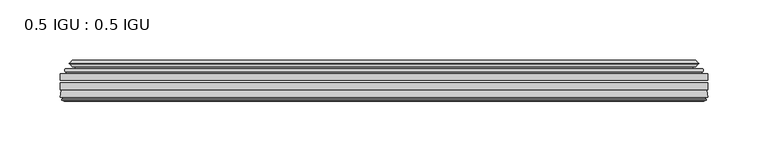
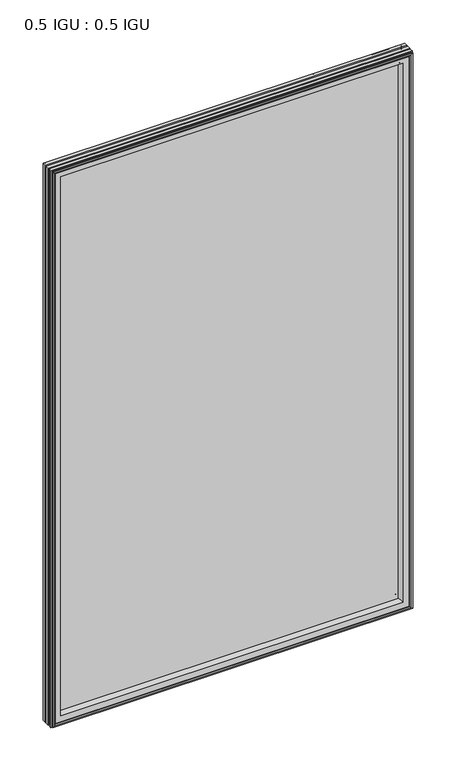
"""IFC4 building model written with IfcOpenShell, lengths in millimetres: plate geometry, 0.5 IGU : 0.5 IGU."""

import ifcopenshell
import ifcopenshell.guid

model = None  # the IFC model being written
_history = None  # IfcOwnerHistory: only IFC2X3 demands one
_inside = {}  # id of a spatial element -> (the spatial element, [elements in it])
_under = {}  # id of a project, library or spatial element -> (it, [spatial elements below it])
_declared = {}  # id of a project -> (the project, [libraries it declares])
_typed = {}  # id of a type object -> (the type object, [elements of that type])
_made_of = {}  # id of a material, layer set ... -> (it, [elements and type objects made of it])


def new_model(schema):
    """Start an empty IFC model of exactly this schema.

    Asked for "IFC4X3", IfcOpenShell would pick the latest addendum, in which some entities
    have other attributes; the version numbers below select the first issue.
    IFC2X3 requires an IfcOwnerHistory on every rooted entity: one is made here for all.
    """
    global model, _history
    if schema == "IFC4X3":
        model = ifcopenshell.file(schema_version=(4, 3, 0, 0))
    else:
        model = ifcopenshell.file(schema=schema)
    _inside.clear()
    _under.clear()
    _declared.clear()
    _typed.clear()
    _made_of.clear()
    _history = None
    if model.schema == "IFC2X3":
        org = make("IfcOrganization", Name="unknown")
        user = make(
            "IfcPersonAndOrganization",
            ThePerson=make("IfcPerson", FamilyName="unknown"),
            TheOrganization=org,
        )
        app = make(
            "IfcApplication",
            ApplicationDeveloper=org,
            Version="unknown",
            ApplicationFullName="unknown",
            ApplicationIdentifier="unknown",
        )
        _history = make(
            "IfcOwnerHistory",
            OwningUser=user,
            OwningApplication=app,
            ChangeAction="ADDED",
            CreationDate=0,
        )
    return model


def make(cls, **values):
    """One entity of the class cls with the attributes given. An attribute that is None is left unset."""
    return model.create_entity(
        cls, **{name: value for name, value in values.items() if value is not None}
    )


def rooted(cls, **values):
    """An entity with a GlobalId (a new one), such as an element, a storey or a relation."""
    return make(cls, GlobalId=ifcopenshell.guid.new(), OwnerHistory=_history, **values)


def si_unit(unit_type, name, prefix=None):
    """IfcSIUnit, for example si_unit("LENGTHUNIT", "METRE", prefix="MILLI")."""
    return make("IfcSIUnit", UnitType=unit_type, Prefix=prefix, Name=name)


def assignment(units):
    """IfcUnitAssignment: the units of a project."""
    return None if units is None else make("IfcUnitAssignment", Units=units)


def point(xyz):
    """IfcCartesianPoint."""
    return None if xyz is None else make("IfcCartesianPoint", Coordinates=xyz)


def direction(xyz):
    """IfcDirection."""
    return None if xyz is None else make("IfcDirection", DirectionRatios=xyz)


def frame(location, z_axis=None, x_axis=None):
    """IfcAxis2Placement3D, a coordinate frame: its origin and axes. An axis left out is left unset."""
    return make(
        "IfcAxis2Placement3D",
        Location=point(location),
        Axis=direction(z_axis),
        RefDirection=direction(x_axis),
    )


def origin():
    """The frame at (0, 0, 0) with its axes left unset."""
    return frame((0.0, 0.0, 0.0))


def place(relative_to, where):
    """IfcLocalPlacement: puts the frame where relative to a parent placement (None: the world)."""
    return make(
        "IfcLocalPlacement", PlacementRelTo=relative_to, RelativePlacement=where
    )


def context(
    kind, dimensions, precision=None, world=None, true_north=None, identifier=None
):
    """IfcGeometricRepresentationContext, for example the 3D "Model" context."""
    return make(
        "IfcGeometricRepresentationContext",
        ContextIdentifier=identifier,
        ContextType=kind,
        CoordinateSpaceDimension=dimensions,
        Precision=precision,
        WorldCoordinateSystem=world,
        TrueNorth=true_north,
    )


def project(units=None, contexts=None):
    """IfcProject with its units and contexts."""
    return rooted(
        "IfcProject",
        Name="project",
        RepresentationContexts=contexts,
        UnitsInContext=assignment(units),
    )


def spatial(cls, under=None, at=None, **own):
    """A site, building, storey or space (cls), placed at a placement, below another one or the project."""
    s = rooted(cls, ObjectPlacement=at, **own)
    if under is not None:
        _under.setdefault(under.id(), (under, []))[1].append(s)
    return s


def polyline(points):
    """IfcPolyline through the points."""
    return make("IfcPolyline", Points=[point(p) for p in points])


def ellipse_curve(where, semi_axis1, semi_axis2):
    """IfcEllipse in the frame where."""
    return make(
        "IfcEllipse", Position=where, SemiAxis1=semi_axis1, SemiAxis2=semi_axis2
    )


def outline(outer, holes=None, kind="AREA"):
    """IfcArbitraryClosedProfileDef: a profile drawn as a closed curve; with holes, ...WithVoids."""
    if holes is None:
        return make("IfcArbitraryClosedProfileDef", ProfileType=kind, OuterCurve=outer)
    return make(
        "IfcArbitraryProfileDefWithVoids",
        ProfileType=kind,
        OuterCurve=outer,
        InnerCurves=holes,
    )


def extrude(swept, where, along, depth):
    """IfcExtrudedAreaSolid: the profile swept, set in the frame where, extruded along a direction by depth."""
    return make(
        "IfcExtrudedAreaSolid",
        SweptArea=swept,
        Position=where,
        ExtrudedDirection=direction(along),
        Depth=depth,
    )


def shape(context_of_items, identifier, shape_type, items):
    """IfcShapeRepresentation: the items that make up one representation, for example the "Body"."""
    return make(
        "IfcShapeRepresentation",
        ContextOfItems=context_of_items,
        RepresentationIdentifier=identifier,
        RepresentationType=shape_type,
        Items=items,
    )


def source(mapping_origin, context_of_items, identifier, shape_type, items):
    """IfcRepresentationMap: a shape defined once, which mapped items show again and again."""
    return make(
        "IfcRepresentationMap",
        MappingOrigin=mapping_origin,
        MappedRepresentation=shape(context_of_items, identifier, shape_type, items),
    )


def transform(
    local_origin,
    x_axis=None,
    y_axis=None,
    z_axis=None,
    scale=None,
    scale2=None,
    scale3=None,
    uniform=True,
):
    """IfcCartesianTransformationOperator3D, or its non-uniform kind. x_axis, y_axis, z_axis: its Axis1, 2, 3."""
    if uniform:
        return make(
            "IfcCartesianTransformationOperator3D",
            Axis1=direction(x_axis),
            Axis2=direction(y_axis),
            LocalOrigin=point(local_origin),
            Scale=scale,
            Axis3=direction(z_axis),
        )
    return make(
        "IfcCartesianTransformationOperator3DnonUniform",
        Axis1=direction(x_axis),
        Axis2=direction(y_axis),
        LocalOrigin=point(local_origin),
        Scale=scale,
        Axis3=direction(z_axis),
        Scale2=scale2,
        Scale3=scale3,
    )


def mapped(mapping_source, mapping_target):
    """IfcMappedItem: shows the shape of a source again, moved by a transform."""
    return make(
        "IfcMappedItem", MappingSource=mapping_source, MappingTarget=mapping_target
    )


def made_of(thing, what):
    """Note that an element or type object is made of a material, layer set ...; save() writes the relation."""
    if what is not None:
        _made_of.setdefault(what.id(), (what, []))[1].append(thing)
    return thing


def element(
    cls,
    number,
    at=None,
    inside=None,
    cuts=None,
    type_object=None,
    material=None,
    context=None,
    identifier="Body",
    shape_type=None,
    held_by="IfcProductDefinitionShape",
    body=None,
    shapes=None,
    **own,
):
    """One element of the class cls, such as IfcWall. Its Tag is "e" and its number.

    at: its placement. inside: the storey or other place that contains it. cuts: it is an
    opening in that element (IfcRelVoidsElement). A single representation is given by context,
    identifier, shape_type and body (its items); several are given by shapes. held_by: the class
    of the entity that holds the representations. save() writes the other relations.
    """
    e = rooted(cls, Tag="e%d" % number, ObjectPlacement=at, **own)
    if body is not None:
        shapes = [shape(context, identifier, shape_type, body)]
    if shapes is not None:
        e.Representation = make(held_by, Representations=shapes)
    if inside is not None:
        _inside.setdefault(inside.id(), (inside, []))[1].append(e)
    if cuts is not None:
        rooted(
            "IfcRelVoidsElement", RelatingBuildingElement=cuts, RelatedOpeningElement=e
        )
    if type_object is not None:
        _typed.setdefault(type_object.id(), (type_object, []))[1].append(e)
    return made_of(e, material)


def aggregate(whole, parts):
    """IfcRelAggregates: a whole, such as a stair, and the parts it consists of."""
    return rooted("IfcRelAggregates", RelatingObject=whole, RelatedObjects=parts)


def save(model, path):
    """Write the relations noted so far, then the file.

    IfcRelAggregates (storeys below a building ...), IfcRelContainedInSpatialStructure (elements
    in a storey), IfcRelDefinesByType, IfcRelAssociatesMaterial and IfcRelDeclares: one each for
    every whole, place, type object, material and project.
    """
    for whole, parts in _under.values():
        aggregate(whole, parts)
    for where, things in _inside.values():
        rooted(
            "IfcRelContainedInSpatialStructure",
            RelatedElements=things,
            RelatingStructure=where,
        )
    for kind, things in _typed.values():
        rooted("IfcRelDefinesByType", RelatedObjects=things, RelatingType=kind)
    for what, things in _made_of.values():
        rooted("IfcRelAssociatesMaterial", RelatedObjects=things, RelatingMaterial=what)
    for by, libraries in _declared.values():
        rooted("IfcRelDeclares", RelatingContext=by, RelatedDefinitions=libraries)
    model.write(path)


def plane_surface(at):
    """IfcPlane: the flat surface through the origin of the frame at, square to its z axis."""
    return make("IfcPlane", Position=at)


def cylinder_surface(at, radius):
    """IfcCylindricalSurface: all points at the distance radius from the z axis of the frame at."""
    return make("IfcCylindricalSurface", Position=at, Radius=radius)


def revolved_surface(curve, axis_point, axis_direction):
    """IfcSurfaceOfRevolution: the curve turned about the line through axis_point along axis_direction."""
    return make(
        "IfcSurfaceOfRevolution",
        SweptCurve=make("IfcArbitraryOpenProfileDef", ProfileType="CURVE", Curve=curve),
        AxisPosition=make("IfcAxis1Placement", Location=point(axis_point), Axis=direction(axis_direction)),
    )


def advanced_brep(points, edges, surfaces, faces):
    """IfcAdvancedBrep: a solid bounded by faces that lie on surfaces and meet in shared edges.

    An edge is (start, end): straight between two places in points (the first is 0);
    or (start, end, curve); or (start, end, curve, False) where it runs against its curve.
    A face is (place in surfaces, loops), or (place, loops, False) where it looks against
    its surface's normal. A loop lists edges by number (the first is 1), with a minus sign
    where the edge is run from its end to its start. The first loop is the outer one.
    """
    corners = [point(p) for p in points]
    vertices = [make("IfcVertexPoint", VertexGeometry=c) for c in corners]
    made = []
    for start, end, *more in edges:
        made.append(
            make(
                "IfcEdgeCurve",
                EdgeStart=vertices[start],
                EdgeEnd=vertices[end],
                EdgeGeometry=more[0] if more else make("IfcPolyline", Points=[corners[start], corners[end]]),
                SameSense=more[1] if len(more) > 1 else True,
            )
        )
    hull = []
    for where, loops, *sense in faces:
        bounds = []
        for j, loop in enumerate(loops):
            ring = [make("IfcOrientedEdge", EdgeElement=made[abs(k) - 1], Orientation=k > 0) for k in loop]
            bounds.append(
                make(
                    "IfcFaceOuterBound" if j == 0 else "IfcFaceBound",
                    Bound=make("IfcEdgeLoop", EdgeList=ring),
                    Orientation=True,
                )
            )
        hull.append(make("IfcAdvancedFace", Bounds=bounds, FaceSurface=surfaces[where], SameSense=sense[0] if sense else True))
    return make("IfcAdvancedBrep", Outer=make("IfcClosedShell", CfsFaces=hull))


def plate_0_5_igu_0_5_igu_1e9d5533(model_context):
    return source(origin(), model_context, "Body", "SolidModel", [
        extrude(outline(polyline([(268.301675, -55.82285), (268.301675, -61.48705), (-268.2875, -61.48705), (-268.2875, -55.82285), (268.301675, -55.82285)])), frame((0.0, 0.0, -14.2875), z_axis=(0.0, 0.0, 1.0), x_axis=(1.0, 0.0, 0.0)), (0.0, 0.0, 1.0), 873.1287979),
        extrude(outline(polyline([(-268.2875, -69.05625), (-268.2875, -63.39205), (268.301675, -63.39205), (268.301675, -69.05625), (-268.2875, -69.05625)])), frame((0.0, 0.0, -14.2875), z_axis=(0.0, 0.0, 1.0), x_axis=(1.0, 0.0, 0.0)), (0.0, 0.0, 1.0), 873.1287979),
        advanced_brep(
        [(-264.1849626, -54.3724927, 854.7349626), (-263.1404378, -51.60645, 853.6904378), (-263.1404378, -51.60645, -9.1404378), (-264.1849626, -54.3724927, -10.1849626), (-262.548517, -55.82285, 853.098517), (-262.548517, -55.82285, -8.548517), (-254.0, -45.63745, 844.55), (-250.4172761, -55.82285, 840.9672761), (-250.4172761, -55.82285, 3.5827239), (-254.0, -45.63745, 0.0), (-259.1859109, -46.8185491, 849.7359109), (-259.1859109, -46.8185491, -5.1859109), (-258.3888893, -44.8183085, 848.9388893), (-258.3888893, -44.8183085, -4.3888893), (-260.6726111, -47.135817, 851.2226111), (-260.6726111, -47.135817, -6.6726111), (-260.6726111, -47.8489429, 851.2226111), (-260.6726111, -47.8489429, -6.6726111), (-258.3888893, -50.1664515, 848.9388893), (-258.3888893, -50.1664515, -4.3888893), (-259.1782501, -48.1854367, 849.7282501), (-259.1782501, -48.1854367, -5.1782501), (-256.6544379, -48.027045, 847.2044379), (-256.6544379, -48.027045, -2.6544379), (-255.6286217, -48.7147544, 846.1786217), (-255.6286217, -48.7147544, -1.6286217), (-255.7470288, -50.1092231, 846.2970288), (-255.7470288, -50.1092231, -1.7470288), (-256.3487748, -51.60645, 846.8987748), (-256.3487748, -51.60645, -2.3487748), (263.1404378, -51.60645, -9.1404378), (264.1849626, -54.3724927, -10.1849626), (262.548517, -55.82285, -8.548517), (250.4172761, -55.82285, 3.5827239), (254.0, -45.63745, 0.0), (259.1859109, -46.8185491, -5.1859109), (258.3888893, -44.8183085, -4.3888893), (260.6726111, -47.135817, -6.6726111), (260.6726111, -47.8489429, -6.6726111), (258.3888893, -50.1664515, -4.3888893), (259.1782501, -48.1854367, -5.1782501), (256.6544379, -48.027045, -2.6544379), (255.6286217, -48.7147544, -1.6286217), (255.7470288, -50.1092231, -1.7470288), (256.3487748, -51.60645, -2.3487748), (263.1404378, -51.60645, 853.6904378), (264.1849626, -54.3724927, 854.7349626), (262.548517, -55.82285, 853.098517), (250.4172761, -55.82285, 840.9672761), (254.0, -45.63745, 844.55), (259.1859109, -46.8185491, 849.7359109), (258.3888893, -44.8183085, 848.9388893), (260.6726111, -47.135817, 851.2226111), (260.6726111, -47.8489429, 851.2226111), (258.3888893, -50.1664515, 848.9388893), (259.1782501, -48.1854367, 849.7282501), (256.6544379, -48.027045, 847.2044379), (255.6286217, -48.7147544, 846.1786217), (255.7470288, -50.1092231, 846.2970288), (256.3487748, -51.60645, 846.8987748)],
        [
            (0, 1, ellipse_curve(frame((-263.1320703, -53.1898501, 853.6820703), z_axis=(-0.7071067811865475, 0.0, -0.7071067811865475), x_axis=(-0.7071067811865474, 0.0, 0.7071067811865476)), 2.2392971, 1.5834222)),
            (1, 2),
            (2, 3, ellipse_curve(frame((-263.1320703, -53.1898501, -9.1320703), z_axis=(-0.7071067811865475, 0.0, 0.7071067811865475), x_axis=(0.7071067811865474, 0.0, 0.7071067811865476)), 2.2392971, 1.5834222)),
            (3, 0),
            (4, 0),
            (3, 5),
            (5, 4),
            (6, 7, ellipse_curve(frame((-221.720246, -40.0058297, 812.270246), z_axis=(0.7071067811865475, 0.0, 0.7071067811865475), x_axis=(0.7071067811865474, 0.0, -0.7071067811865476)), 46.3399971, 32.7673262)),
            (7, 8),
            (8, 9, ellipse_curve(frame((-221.720246, -40.0058297, 32.279754), z_axis=(0.7071067811865475, 0.0, -0.7071067811865475), x_axis=(-0.7071067811865474, 0.0, -0.7071067811865476)), 46.3399971, 32.7673262)),
            (9, 6),
            (10, 6),
            (9, 11),
            (11, 10),
            (12, 10),
            (11, 13),
            (13, 12),
            (14, 12),
            (13, 15),
            (15, 14),
            (16, 14, ellipse_curve(frame((-260.3107729, -47.49238, 850.8607729), z_axis=(-0.7071067811865475, 0.0, -0.7071067811865475), x_axis=(-0.7071067811865474, 0.0, 0.7071067811865476)), 0.7184205, 0.508)),
            (15, 17, ellipse_curve(frame((-260.3107729, -47.49238, -6.3107729), z_axis=(-0.7071067811865475, 0.0, 0.7071067811865475), x_axis=(0.7071067811865474, 0.0, 0.7071067811865476)), 0.7184205, 0.508)),
            (17, 16),
            (18, 16),
            (17, 19),
            (19, 18),
            (20, 18),
            (19, 21),
            (21, 20),
            (22, 20),
            (21, 23),
            (23, 22),
            (24, 22, ellipse_curve(frame((-256.5908, -49.04105, 847.1408), z_axis=(0.7071067811865475, 0.0, 0.7071067811865475), x_axis=(0.7071067811865474, 0.0, -0.7071067811865476)), 1.436841, 1.016)),
            (23, 25, ellipse_curve(frame((-256.5908, -49.04105, -2.5908), z_axis=(0.7071067811865475, 0.0, -0.7071067811865475), x_axis=(-0.7071067811865474, 0.0, -0.7071067811865476)), 1.436841, 1.016)),
            (25, 24),
            (26, 24, ellipse_curve(frame((-257.9624, -49.21885, 848.5124), z_axis=(0.7071067811865475, 0.0, 0.7071067811865475), x_axis=(0.7071067811865474, 0.0, -0.7071067811865476)), 3.3765763, 2.3876)),
            (25, 27, ellipse_curve(frame((-257.9624, -49.21885, -3.9624), z_axis=(0.7071067811865475, 0.0, -0.7071067811865475), x_axis=(-0.7071067811865474, 0.0, -0.7071067811865476)), 3.3765763, 2.3876)),
            (27, 26),
            (28, 26),
            (27, 29),
            (29, 28),
            (2, 30),
            (30, 31, ellipse_curve(frame((263.1320703, -53.1898501, -9.1320703), z_axis=(-0.7071067811865475, 0.0, -0.7071067811865475), x_axis=(-0.7071067811865476, 0.0, 0.7071067811865474)), 2.2392971, 1.5834222)),
            (31, 3),
            (31, 32),
            (32, 5),
            (8, 33),
            (33, 34, ellipse_curve(frame((221.720246, -40.0058297, 32.279754), z_axis=(0.7071067811865475, 0.0, 0.7071067811865475), x_axis=(0.7071067811865476, 0.0, -0.7071067811865474)), 46.3399971, 32.7673262)),
            (34, 9),
            (34, 35),
            (35, 11),
            (35, 36),
            (36, 13),
            (36, 37),
            (37, 15),
            (37, 38, ellipse_curve(frame((260.3107729, -47.49238, -6.3107729), z_axis=(-0.7071067811865475, 0.0, -0.7071067811865475), x_axis=(-0.7071067811865476, 0.0, 0.7071067811865474)), 0.7184205, 0.508)),
            (38, 17),
            (38, 39),
            (39, 19),
            (39, 40),
            (40, 21),
            (40, 41),
            (41, 23),
            (41, 42, ellipse_curve(frame((256.5908, -49.04105, -2.5908), z_axis=(0.7071067811865475, 0.0, 0.7071067811865475), x_axis=(0.7071067811865476, 0.0, -0.7071067811865474)), 1.436841, 1.016)),
            (42, 25),
            (42, 43, ellipse_curve(frame((257.9624, -49.21885, -3.9624), z_axis=(0.7071067811865475, 0.0, 0.7071067811865475), x_axis=(0.7071067811865476, 0.0, -0.7071067811865474)), 3.3765763, 2.3876)),
            (43, 27),
            (43, 44),
            (44, 29),
            (30, 45),
            (45, 46, ellipse_curve(frame((263.1320703, -53.1898501, 853.6820703), z_axis=(0.7071067811865475, 0.0, -0.7071067811865475), x_axis=(-0.7071067811865474, 0.0, -0.7071067811865476)), 2.2392971, 1.5834222)),
            (46, 31),
            (46, 47),
            (47, 32),
            (33, 48),
            (48, 49, ellipse_curve(frame((221.720246, -40.0058297, 812.270246), z_axis=(-0.7071067811865475, 0.0, 0.7071067811865475), x_axis=(0.7071067811865474, 0.0, 0.7071067811865476)), 46.3399971, 32.7673262)),
            (49, 34),
            (49, 50),
            (50, 35),
            (50, 51),
            (51, 36),
            (51, 52),
            (52, 37),
            (52, 53, ellipse_curve(frame((260.3107729, -47.49238, 850.8607729), z_axis=(0.7071067811865475, 0.0, -0.7071067811865475), x_axis=(-0.7071067811865474, 0.0, -0.7071067811865476)), 0.7184205, 0.508)),
            (53, 38),
            (53, 54),
            (54, 39),
            (54, 55),
            (55, 40),
            (55, 56),
            (56, 41),
            (56, 57, ellipse_curve(frame((256.5908, -49.04105, 847.1408), z_axis=(-0.7071067811865475, 0.0, 0.7071067811865475), x_axis=(0.7071067811865474, 0.0, 0.7071067811865476)), 1.436841, 1.016)),
            (57, 42),
            (57, 58, ellipse_curve(frame((257.9624, -49.21885, 848.5124), z_axis=(-0.7071067811865475, 0.0, 0.7071067811865475), x_axis=(0.7071067811865474, 0.0, 0.7071067811865476)), 3.3765763, 2.3876)),
            (58, 43),
            (58, 59),
            (59, 44),
            (45, 1),
            (0, 46),
            (4, 47),
            (7, 48),
            (6, 49),
            (10, 50),
            (12, 51),
            (14, 52),
            (16, 53),
            (18, 54),
            (20, 55),
            (22, 56),
            (24, 57),
            (26, 58),
            (28, 59),
        ],
        [
            cylinder_surface(frame((-263.1320703, -53.1898501, 876.3), z_axis=(0.0, 0.0, 1.0), x_axis=(-1.0, 0.0, 0.0)), 1.5834222),
            plane_surface(frame((-264.1849626, -54.3724927, 854.7349626), z_axis=(-0.6632745773184306, -0.7483761320907135, 0.0), x_axis=(0.0, 0.0, -1.0))),
            revolved_surface(polyline([(-254.4875722, -40.0058297, -0.48757218957496207), (-254.4875722, -40.0058297, 845.037572189575)]), (-221.720246, -40.0058297, 876.3), (0.0, 0.0, -1.0)),
            plane_surface(frame((-254.0, -45.63745, 844.55), z_axis=(-0.2220649844278743, 0.975031867525902, 0.0), x_axis=(0.0, 0.0, -1.0))),
            plane_surface(frame((-259.1859109, -46.8185491, 849.7359109), z_axis=(0.9289682685630282, -0.370159365683228, 0.0), x_axis=(0.0, 0.0, -1.0))),
            plane_surface(frame((-258.3888893, -44.8183085, 848.9388893), z_axis=(-0.7122798501733507, 0.7018955869907071, 0.0), x_axis=(0.0, 0.0, -1.0))),
            cylinder_surface(frame((-260.3107729, -47.49238, 876.3), z_axis=(0.0, 0.0, 1.0), x_axis=(-1.0, 0.0, 0.0)), 0.508),
            plane_surface(frame((-260.6726111, -47.8489429, 851.2226111), z_axis=(-0.7122798501732925, -0.701895586990766, 0.0), x_axis=(0.0, 0.0, -1.0))),
            plane_surface(frame((-258.3888893, -50.1664515, 848.9388893), z_axis=(0.9289682685628707, 0.3701593656836228, 0.0), x_axis=(0.0, 0.0, -1.0))),
            plane_surface(frame((-259.1782501, -48.1854367, 849.7282501), z_axis=(0.0626357011928498, -0.9980364567169279, 0.0), x_axis=(0.0, 0.0, -1.0))),
            revolved_surface(polyline([(-257.6068, -49.04105, -3.606800014586838), (-257.6068, -49.04105, 848.1568000145869)]), (-256.5908, -49.04105, 876.3), (0.0, 0.0, -1.0)),
            revolved_surface(polyline([(-260.35, -49.21885, -6.3499999989237494), (-260.35, -49.21885, 850.8999999989237)]), (-257.9624, -49.21885, 876.3), (0.0, 0.0, -1.0)),
            plane_surface(frame((-255.7470288, -50.1092231, 846.2970288), z_axis=(-0.9278652925428184, 0.3729155385532094, 0.0), x_axis=(0.0, 0.0, -1.0))),
            cylinder_surface(frame((-285.75, -53.1898501, -9.1320703), z_axis=(-1.0, 0.0, 0.0), x_axis=(0.0, 0.0, -1.0)), 1.5834222),
            plane_surface(frame((-264.1849626, -54.3724927, -10.1849626), z_axis=(0.0, -0.7483761320907157, -0.6632745773184283), x_axis=(1.0, 0.0, 0.0))),
            revolved_surface(polyline([(254.48757218957496, -40.0058297, -0.48757220000000245), (-254.48757218957493, -40.0058297, -0.48757220000000245)]), (-285.75, -40.0058297, 32.279754), (1.0, 0.0, 0.0)),
            plane_surface(frame((-254.0, -45.63745, 0.0), z_axis=(0.0, 0.9750318675259013, -0.22206498442787745), x_axis=(1.0, 0.0, 0.0))),
            plane_surface(frame((-259.1859109, -46.8185491, -5.1859109), z_axis=(0.0, -0.370159365683225, 0.9289682685630294), x_axis=(1.0, 0.0, 0.0))),
            plane_surface(frame((-258.3888893, -44.8183085, -4.3888893), z_axis=(0.0, 0.7018955869907048, -0.7122798501733529), x_axis=(1.0, 0.0, 0.0))),
            cylinder_surface(frame((-285.75, -47.49238, -6.3107729), z_axis=(-1.0, 0.0, 0.0), x_axis=(0.0, 0.0, -1.0)), 0.508),
            plane_surface(frame((-260.6726111, -47.8489429, -6.6726111), z_axis=(0.0, -0.7018955869907684, -0.7122798501732903), x_axis=(1.0, 0.0, 0.0))),
            plane_surface(frame((-258.3888893, -50.1664515, -4.3888893), z_axis=(0.0, 0.37015936568362584, 0.9289682685628696), x_axis=(1.0, 0.0, 0.0))),
            plane_surface(frame((-259.1782501, -48.1854367, -5.1782501), z_axis=(0.0, -0.9980364567169276, 0.06263570119285301), x_axis=(1.0, 0.0, 0.0))),
            revolved_surface(polyline([(257.60680001458684, -49.04105, -3.6068000000000002), (-257.60680001458684, -49.04105, -3.6068000000000002)]), (-285.75, -49.04105, -2.5908), (1.0, 0.0, 0.0)),
            revolved_surface(polyline([(260.34999999892375, -49.21885, -6.35), (-260.3499999989238, -49.21885, -6.35)]), (-285.75, -49.21885, -3.9624), (1.0, 0.0, 0.0)),
            plane_surface(frame((-255.7470288, -50.1092231, -1.7470288), z_axis=(0.0, 0.3729155385532064, -0.9278652925428196), x_axis=(1.0, 0.0, 0.0))),
            cylinder_surface(frame((263.1320703, -53.1898501, -31.75), z_axis=(0.0, 0.0, -1.0), x_axis=(1.0, 0.0, 0.0)), 1.5834222),
            plane_surface(frame((264.1849626, -54.3724927, -10.1849626), z_axis=(0.6632745773184259, -0.7483761320907178, 0.0), x_axis=(0.0, 0.0, 1.0))),
            revolved_surface(polyline([(254.4875722, -40.0058297, 845.037572189575), (254.4875722, -40.0058297, -0.48757218957494075)]), (221.720246, -40.0058297, -31.75), (0.0, 0.0, 1.0)),
            plane_surface(frame((254.0, -45.63745, 0.0), z_axis=(0.22206498442788056, 0.9750318675259005, 0.0), x_axis=(0.0, 0.0, 1.0))),
            plane_surface(frame((259.1859109, -46.8185491, -5.1859109), z_axis=(-0.9289682685630306, -0.370159365683222, 0.0), x_axis=(0.0, 0.0, 1.0))),
            plane_surface(frame((258.3888893, -44.8183085, -4.3888893), z_axis=(0.7122798501733552, 0.7018955869907024, 0.0), x_axis=(0.0, 0.0, 1.0))),
            cylinder_surface(frame((260.3107729, -47.49238, -31.75), z_axis=(0.0, 0.0, -1.0), x_axis=(1.0, 0.0, 0.0)), 0.508),
            plane_surface(frame((260.6726111, -47.8489429, -6.6726111), z_axis=(0.712279850173288, -0.7018955869907706, 0.0), x_axis=(0.0, 0.0, 1.0))),
            plane_surface(frame((258.3888893, -50.1664515, -4.3888893), z_axis=(-0.9289682685628684, 0.37015936568362884, 0.0), x_axis=(0.0, 0.0, 1.0))),
            plane_surface(frame((259.1782501, -48.1854367, -5.1782501), z_axis=(-0.06263570119285623, -0.9980364567169274, 0.0), x_axis=(0.0, 0.0, 1.0))),
            revolved_surface(polyline([(257.6068, -49.04105, 848.1568000145869), (257.6068, -49.04105, -3.606800014586863)]), (256.5908, -49.04105, -31.75), (0.0, 0.0, 1.0)),
            revolved_surface(polyline([(260.35, -49.21885, 850.8999999989237), (260.35, -49.21885, -6.349999998923781)]), (257.9624, -49.21885, -31.75), (0.0, 0.0, 1.0)),
            plane_surface(frame((255.7470288, -50.1092231, -1.7470288), z_axis=(0.9278652925428208, 0.3729155385532034, 0.0), x_axis=(0.0, 0.0, 1.0))),
            cylinder_surface(frame((285.75, -53.1898501, 853.6820703), z_axis=(1.0, 0.0, 0.0), x_axis=(0.0, 0.0, 1.0)), 1.5834222),
            plane_surface(frame((264.1849626, -54.3724927, 854.7349626), z_axis=(0.0, -0.7483761320907157, 0.6632745773184283), x_axis=(-1.0, 0.0, 0.0))),
            plane_surface(frame((262.548517, -55.82285, 853.098517), z_axis=(0.0, -1.0, 0.0), x_axis=(-1.0, 0.0, 0.0))),
            revolved_surface(polyline([(-254.48757218957496, -40.0058297, 845.0375722), (254.48757218957493, -40.0058297, 845.0375722)]), (285.75, -40.0058297, 812.270246), (-1.0, 0.0, 0.0)),
            plane_surface(frame((254.0, -45.63745, 844.55), z_axis=(0.0, 0.9750318675259012, 0.22206498442787742), x_axis=(-1.0, 0.0, 0.0))),
            plane_surface(frame((259.1859109, -46.8185491, 849.7359109), z_axis=(0.0, -0.370159365683225, -0.9289682685630294), x_axis=(-1.0, 0.0, 0.0))),
            plane_surface(frame((258.3888893, -44.8183085, 848.9388893), z_axis=(0.0, 0.7018955869907048, 0.7122798501733529), x_axis=(-1.0, 0.0, 0.0))),
            cylinder_surface(frame((285.75, -47.49238, 850.8607729), z_axis=(1.0, 0.0, 0.0), x_axis=(0.0, 0.0, 1.0)), 0.508),
            plane_surface(frame((260.6726111, -47.8489429, 851.2226111), z_axis=(0.0, -0.7018955869907684, 0.7122798501732903), x_axis=(-1.0, 0.0, 0.0))),
            plane_surface(frame((258.3888893, -50.1664515, 848.9388893), z_axis=(0.0, 0.37015936568362584, -0.9289682685628696), x_axis=(-1.0, 0.0, 0.0))),
            plane_surface(frame((259.1782501, -48.1854367, 849.7282501), z_axis=(0.0, -0.9980364567169276, -0.06263570119285301), x_axis=(-1.0, 0.0, 0.0))),
            revolved_surface(polyline([(-257.60680001458684, -49.04105, 848.1568), (257.60680001458684, -49.04105, 848.1568)]), (285.75, -49.04105, 847.1408), (-1.0, 0.0, 0.0)),
            revolved_surface(polyline([(-260.34999999892375, -49.21885, 850.9), (260.3499999989238, -49.21885, 850.9)]), (285.75, -49.21885, 848.5124), (-1.0, 0.0, 0.0)),
            plane_surface(frame((255.7470288, -50.1092231, 846.2970288), z_axis=(0.0, 0.3729155385532064, 0.9278652925428196), x_axis=(-1.0, 0.0, 0.0))),
            plane_surface(frame((256.3487748, -51.60645, 846.8987748), z_axis=(0.0, 1.0, 0.0), x_axis=(-1.0, 0.0, 0.0))),
        ],
        [
            (0, [[1, 2, 3, 4]]),
            (1, [[5, -4, 6, 7]]),
            (2, [[8, 9, 10, 11]]),
            (3, [[12, -11, 13, 14]]),
            (4, [[15, -14, 16, 17]]),
            (5, [[18, -17, 19, 20]]),
            (6, [[21, -20, 22, 23]]),
            (7, [[24, -23, 25, 26]]),
            (8, [[27, -26, 28, 29]]),
            (9, [[30, -29, 31, 32]]),
            (10, [[33, -32, 34, 35]]),
            (11, [[36, -35, 37, 38]]),
            (12, [[39, -38, 40, 41]]),
            (13, [[-3, 42, 43, 44]]),
            (14, [[-6, -44, 45, 46]]),
            (15, [[-10, 47, 48, 49]]),
            (16, [[-13, -49, 50, 51]]),
            (17, [[-16, -51, 52, 53]]),
            (18, [[-19, -53, 54, 55]]),
            (19, [[-22, -55, 56, 57]]),
            (20, [[-25, -57, 58, 59]]),
            (21, [[-28, -59, 60, 61]]),
            (22, [[-31, -61, 62, 63]]),
            (23, [[-34, -63, 64, 65]]),
            (24, [[-37, -65, 66, 67]]),
            (25, [[-40, -67, 68, 69]]),
            (26, [[-43, 70, 71, 72]]),
            (27, [[-45, -72, 73, 74]]),
            (28, [[-48, 75, 76, 77]]),
            (29, [[-50, -77, 78, 79]]),
            (30, [[-52, -79, 80, 81]]),
            (31, [[-54, -81, 82, 83]]),
            (32, [[-56, -83, 84, 85]]),
            (33, [[-58, -85, 86, 87]]),
            (34, [[-60, -87, 88, 89]]),
            (35, [[-62, -89, 90, 91]]),
            (36, [[-64, -91, 92, 93]]),
            (37, [[-66, -93, 94, 95]]),
            (38, [[-68, -95, 96, 97]]),
            (39, [[-71, 98, -1, 99]]),
            (40, [[-73, -99, -5, 100]]),
            (41, [[-46, -74, -100, -7], [101, -75, -47, -9]]),
            (42, [[-76, -101, -8, 102]]),
            (43, [[-78, -102, -12, 103]]),
            (44, [[-80, -103, -15, 104]]),
            (45, [[-82, -104, -18, 105]]),
            (46, [[-84, -105, -21, 106]]),
            (47, [[-86, -106, -24, 107]]),
            (48, [[-88, -107, -27, 108]]),
            (49, [[-90, -108, -30, 109]]),
            (50, [[-92, -109, -33, 110]]),
            (51, [[-94, -110, -36, 111]]),
            (52, [[-96, -111, -39, 112]]),
            (53, [[-98, -70, -42, -2], [-69, -97, -112, -41]]),
        ],
    ),
        advanced_brep(
        [(-268.3002, -75.40625, 858.8502), (-267.6054162, -69.7476901, 858.1554162), (-267.6054162, -69.7476901, -13.6054162), (-268.3002, -75.40625, -14.3002), (-265.9126, -77.3973143, 856.4626), (-266.3698, -75.40625, 856.9198), (-266.3698, -75.40625, -12.3698), (-265.9126, -77.3973143, -11.9126), (-266.9139619, -77.1290001, 857.4639619), (-266.9139619, -77.1290001, -12.9139619), (-267.1572, -78.0367772, 857.7072), (-267.1572, -78.0367772, -13.1572), (-265.1252, -78.58125, 855.6752), (-265.1252, -78.58125, -11.1252), (-263.0932, -78.0367772, 853.6432), (-263.0932, -78.0367772, -9.0932), (-263.3364381, -77.1290001, 853.8864381), (-263.3364381, -77.1290001, -9.3364381), (-264.3378, -77.3973143, 854.8878), (-264.3378, -77.3973143, -10.3378), (-263.8806, -75.40625, 854.4306), (-263.8806, -75.40625, -9.8806), (-250.4105369, -69.05625, 840.9605369), (-254.0, -75.40625, 844.55), (-254.0, -75.40625, 0.0), (-250.4105369, -69.05625, 3.5894631), (-266.8238854, -69.05625, 857.3738854), (-266.8238854, -69.05625, -12.8238854), (267.6054162, -69.7476901, -13.6054162), (268.3002, -75.40625, -14.3002), (266.3698, -75.40625, -12.3698), (265.9126, -77.3973143, -11.9126), (266.9139619, -77.1290001, -12.9139619), (267.1572, -78.0367772, -13.1572), (265.1252, -78.58125, -11.1252), (263.0932, -78.0367772, -9.0932), (263.3364381, -77.1290001, -9.3364381), (264.3378, -77.3973143, -10.3378), (263.8806, -75.40625, -9.8806), (254.0, -75.40625, 0.0), (250.4105369, -69.05625, 3.5894631), (266.8238854, -69.05625, -12.8238854), (267.6054162, -69.7476901, 858.1554162), (268.3002, -75.40625, 858.8502), (266.3698, -75.40625, 856.9198), (265.9126, -77.3973143, 856.4626), (266.9139619, -77.1290001, 857.4639619), (267.1572, -78.0367772, 857.7072), (265.1252, -78.58125, 855.6752), (263.0932, -78.0367772, 853.6432), (263.3364381, -77.1290001, 853.8864381), (264.3378, -77.3973143, 854.8878), (263.8806, -75.40625, 854.4306), (254.0, -75.40625, 844.55), (250.4105369, -69.05625, 840.9605369), (266.8238854, -69.05625, 857.3738854)],
        [
            (0, 1),
            (1, 2),
            (2, 3),
            (3, 0),
            (4, 5),
            (5, 6),
            (6, 7),
            (7, 4),
            (8, 4),
            (7, 9),
            (9, 8),
            (10, 8),
            (9, 11),
            (11, 10),
            (12, 10),
            (11, 13),
            (13, 12),
            (14, 12),
            (13, 15),
            (15, 14),
            (16, 14),
            (15, 17),
            (17, 16),
            (18, 16),
            (17, 19),
            (19, 18),
            (20, 18),
            (19, 21),
            (21, 20),
            (22, 23, ellipse_curve(frame((-245.5237114, -76.0081323, 836.0737114), z_axis=(0.7071067811865475, 0.0, 0.7071067811865475), x_axis=(0.7071067811865474, 0.0, -0.7071067811865476)), 12.0174649, 8.4976309)),
            (23, 24),
            (24, 25, ellipse_curve(frame((-245.5237114, -76.0081323, 8.4762886), z_axis=(0.7071067811865475, 0.0, -0.7071067811865475), x_axis=(-0.7071067811865474, 0.0, -0.7071067811865476)), 12.0174649, 8.4976309)),
            (25, 22),
            (1, 26, ellipse_curve(frame((-266.8238854, -69.84365, 857.3738854), z_axis=(-0.7071067811865475, 0.0, -0.7071067811865475), x_axis=(-0.7071067811865474, 0.0, 0.7071067811865476)), 1.1135518, 0.7874)),
            (26, 27),
            (27, 2, ellipse_curve(frame((-266.8238854, -69.84365, -12.8238854), z_axis=(-0.7071067811865475, 0.0, 0.7071067811865475), x_axis=(0.7071067811865474, 0.0, 0.7071067811865476)), 1.1135518, 0.7874)),
            (2, 28),
            (28, 29),
            (29, 3),
            (6, 30),
            (30, 31),
            (31, 7),
            (31, 32),
            (32, 9),
            (32, 33),
            (33, 11),
            (33, 34),
            (34, 13),
            (34, 35),
            (35, 15),
            (35, 36),
            (36, 17),
            (36, 37),
            (37, 19),
            (37, 38),
            (38, 21),
            (24, 39),
            (39, 40, ellipse_curve(frame((245.5237114, -76.0081323, 8.4762886), z_axis=(0.7071067811865475, 0.0, 0.7071067811865475), x_axis=(0.7071067811865476, 0.0, -0.7071067811865474)), 12.0174649, 8.4976309)),
            (40, 25),
            (27, 41),
            (41, 28, ellipse_curve(frame((266.8238854, -69.84365, -12.8238854), z_axis=(-0.7071067811865475, 0.0, -0.7071067811865475), x_axis=(-0.7071067811865476, 0.0, 0.7071067811865474)), 1.1135518, 0.7874)),
            (28, 42),
            (42, 43),
            (43, 29),
            (30, 44),
            (44, 45),
            (45, 31),
            (45, 46),
            (46, 32),
            (46, 47),
            (47, 33),
            (47, 48),
            (48, 34),
            (48, 49),
            (49, 35),
            (49, 50),
            (50, 36),
            (50, 51),
            (51, 37),
            (51, 52),
            (52, 38),
            (39, 53),
            (53, 54, ellipse_curve(frame((245.5237114, -76.0081323, 836.0737114), z_axis=(-0.7071067811865475, 0.0, 0.7071067811865475), x_axis=(0.7071067811865474, 0.0, 0.7071067811865476)), 12.0174649, 8.4976309)),
            (54, 40),
            (41, 55),
            (55, 42, ellipse_curve(frame((266.8238854, -69.84365, 857.3738854), z_axis=(0.7071067811865475, 0.0, -0.7071067811865475), x_axis=(-0.7071067811865474, 0.0, -0.7071067811865476)), 1.1135518, 0.7874)),
            (42, 1),
            (0, 43),
            (5, 44),
            (4, 45),
            (8, 46),
            (10, 47),
            (12, 48),
            (14, 49),
            (16, 50),
            (18, 51),
            (20, 52),
            (23, 53),
            (22, 54),
            (26, 55),
        ],
        [
            plane_surface(frame((-267.6054162, -69.7476901, 858.1554162), z_axis=(-0.992546151641325, 0.12186934340512405, 0.0), x_axis=(0.0, 0.0, -1.0))),
            plane_surface(frame((-266.3698, -75.40625, 856.9198), z_axis=(-0.9746347637895902, -0.22380142361658398, 0.0), x_axis=(0.0, 0.0, -1.0))),
            plane_surface(frame((-265.9126, -77.3973143, 856.4626), z_axis=(0.2588190451026526, 0.965925826289033, 0.0), x_axis=(0.0, 0.0, -1.0))),
            plane_surface(frame((-266.9139619, -77.1290001, 857.4639619), z_axis=(-0.9659258262890449, 0.2588190451026083, 0.0), x_axis=(0.0, 0.0, -1.0))),
            plane_surface(frame((-267.1572, -78.0367772, 857.7072), z_axis=(-0.2588190451024403, -0.96592582628909, 0.0), x_axis=(0.0, 0.0, -1.0))),
            plane_surface(frame((-265.1252, -78.58125, 855.6752), z_axis=(0.2588190451025434, -0.9659258262890623, 0.0), x_axis=(0.0, 0.0, -1.0))),
            plane_surface(frame((-263.0932, -78.0367772, 853.6432), z_axis=(0.9659258262891713, 0.25881904510213655, 0.0), x_axis=(0.0, 0.0, -1.0))),
            plane_surface(frame((-263.3364381, -77.1290001, 853.8864381), z_axis=(-0.25881904510234177, 0.9659258262891163, 0.0), x_axis=(0.0, 0.0, -1.0))),
            plane_surface(frame((-264.3378, -77.3973143, 854.8878), z_axis=(0.9746347637895849, -0.22380142361660743, 0.0), x_axis=(0.0, 0.0, -1.0))),
            revolved_surface(polyline([(-254.0213423, -76.0081323, -0.02134232346134013), (-254.0213423, -76.0081323, 844.5713423234613)]), (-245.5237114, -76.0081323, 876.3), (0.0, 0.0, -1.0)),
            cylinder_surface(frame((-266.8238854, -69.84365, 876.3), z_axis=(0.0, 0.0, 1.0), x_axis=(-1.0, 0.0, 0.0)), 0.7874),
            plane_surface(frame((-267.6054162, -69.7476901, -13.6054162), z_axis=(0.0, 0.12186934340512084, -0.9925461516413254), x_axis=(1.0, 0.0, 0.0))),
            plane_surface(frame((-266.3698, -75.40625, -12.3698), z_axis=(0.0, -0.22380142361658714, -0.9746347637895896), x_axis=(1.0, 0.0, 0.0))),
            plane_surface(frame((-265.9126, -77.3973143, -11.9126), z_axis=(0.0, 0.9659258262890339, 0.25881904510264947), x_axis=(1.0, 0.0, 0.0))),
            plane_surface(frame((-266.9139619, -77.1290001, -12.9139619), z_axis=(0.0, 0.25881904510260517, -0.9659258262890458), x_axis=(1.0, 0.0, 0.0))),
            plane_surface(frame((-267.1572, -78.0367772, -13.1572), z_axis=(0.0, -0.9659258262890907, -0.25881904510243714), x_axis=(1.0, 0.0, 0.0))),
            plane_surface(frame((-265.1252, -78.58125, -11.1252), z_axis=(0.0, -0.9659258262890614, 0.2588190451025465), x_axis=(1.0, 0.0, 0.0))),
            plane_surface(frame((-263.0932, -78.0367772, -9.0932), z_axis=(0.0, 0.25881904510213966, 0.9659258262891705), x_axis=(1.0, 0.0, 0.0))),
            plane_surface(frame((-263.3364381, -77.1290001, -9.3364381), z_axis=(0.0, 0.9659258262891154, -0.2588190451023449), x_axis=(1.0, 0.0, 0.0))),
            plane_surface(frame((-264.3378, -77.3973143, -10.3378), z_axis=(0.0, -0.2238014236166043, 0.9746347637895857), x_axis=(1.0, 0.0, 0.0))),
            revolved_surface(polyline([(254.02134232346134, -76.0081323, -0.02134230000000059), (-254.0213423234613, -76.0081323, -0.02134230000000059)]), (-285.75, -76.0081323, 8.4762886), (1.0, 0.0, 0.0)),
            cylinder_surface(frame((-285.75, -69.84365, -12.8238854), z_axis=(-1.0, 0.0, 0.0), x_axis=(0.0, 0.0, -1.0)), 0.7874),
            plane_surface(frame((267.6054162, -69.7476901, -13.6054162), z_axis=(0.9925461516413259, 0.12186934340511764, 0.0), x_axis=(0.0, 0.0, 1.0))),
            plane_surface(frame((266.3698, -75.40625, -12.3698), z_axis=(0.9746347637895888, -0.22380142361659028, 0.0), x_axis=(0.0, 0.0, 1.0))),
            plane_surface(frame((265.9126, -77.3973143, -11.9126), z_axis=(-0.25881904510264636, 0.9659258262890348, 0.0), x_axis=(0.0, 0.0, 1.0))),
            plane_surface(frame((266.9139619, -77.1290001, -12.9139619), z_axis=(0.9659258262890467, 0.25881904510260206, 0.0), x_axis=(0.0, 0.0, 1.0))),
            plane_surface(frame((267.1572, -78.0367772, -13.1572), z_axis=(0.25881904510243403, -0.9659258262890916, 0.0), x_axis=(0.0, 0.0, 1.0))),
            plane_surface(frame((265.1252, -78.58125, -11.1252), z_axis=(-0.25881904510254966, -0.9659258262890607, 0.0), x_axis=(0.0, 0.0, 1.0))),
            plane_surface(frame((263.0932, -78.0367772, -9.0932), z_axis=(-0.9659258262891696, 0.25881904510214276, 0.0), x_axis=(0.0, 0.0, 1.0))),
            plane_surface(frame((263.3364381, -77.1290001, -9.3364381), z_axis=(0.25881904510234804, 0.9659258262891146, 0.0), x_axis=(0.0, 0.0, 1.0))),
            plane_surface(frame((264.3378, -77.3973143, -10.3378), z_axis=(-0.9746347637895864, -0.22380142361660113, 0.0), x_axis=(0.0, 0.0, 1.0))),
            revolved_surface(polyline([(254.0213423, -76.0081323, 844.5713423234613), (254.0213423, -76.0081323, -0.021342323461311707)]), (245.5237114, -76.0081323, -31.75), (0.0, 0.0, 1.0)),
            cylinder_surface(frame((266.8238854, -69.84365, -31.75), z_axis=(0.0, 0.0, -1.0), x_axis=(1.0, 0.0, 0.0)), 0.7874),
            plane_surface(frame((267.6054162, -69.7476901, 858.1554162), z_axis=(0.0, 0.12186934340512084, 0.9925461516413254), x_axis=(-1.0, 0.0, 0.0))),
            plane_surface(frame((268.3002, -75.40625, 858.8502), z_axis=(0.0, -1.0, 0.0), x_axis=(-1.0, 0.0, 0.0))),
            plane_surface(frame((266.3698, -75.40625, 856.9198), z_axis=(0.0, -0.22380142361658714, 0.9746347637895896), x_axis=(-1.0, 0.0, 0.0))),
            plane_surface(frame((265.9126, -77.3973143, 856.4626), z_axis=(0.0, 0.9659258262890339, -0.25881904510264947), x_axis=(-1.0, 0.0, 0.0))),
            plane_surface(frame((266.9139619, -77.1290001, 857.4639619), z_axis=(0.0, 0.25881904510260517, 0.9659258262890458), x_axis=(-1.0, 0.0, 0.0))),
            plane_surface(frame((267.1572, -78.0367772, 857.7072), z_axis=(0.0, -0.9659258262890907, 0.25881904510243714), x_axis=(-1.0, 0.0, 0.0))),
            plane_surface(frame((265.1252, -78.58125, 855.6752), z_axis=(0.0, -0.9659258262890614, -0.25881904510254655), x_axis=(-1.0, 0.0, 0.0))),
            plane_surface(frame((263.0932, -78.0367772, 853.6432), z_axis=(0.0, 0.25881904510213966, -0.9659258262891705), x_axis=(-1.0, 0.0, 0.0))),
            plane_surface(frame((263.3364381, -77.1290001, 853.8864381), z_axis=(0.0, 0.9659258262891155, 0.25881904510234494), x_axis=(-1.0, 0.0, 0.0))),
            plane_surface(frame((264.3378, -77.3973143, 854.8878), z_axis=(0.0, -0.22380142361660427, -0.9746347637895856), x_axis=(-1.0, 0.0, 0.0))),
            plane_surface(frame((263.8806, -75.40625, 854.4306), z_axis=(0.0, -1.0, 0.0), x_axis=(-1.0, 0.0, 0.0))),
            revolved_surface(polyline([(-254.02134232346134, -76.0081323, 844.5713423), (254.0213423234613, -76.0081323, 844.5713423)]), (285.75, -76.0081323, 836.0737114), (-1.0, 0.0, 0.0)),
            plane_surface(frame((250.4105369, -69.05625, 840.9605369), z_axis=(0.0, 1.0, 0.0), x_axis=(-1.0, 0.0, 0.0))),
            cylinder_surface(frame((285.75, -69.84365, 857.3738854), z_axis=(1.0, 0.0, 0.0), x_axis=(0.0, 0.0, 1.0)), 0.7874),
        ],
        [
            (0, [[1, 2, 3, 4]]),
            (1, [[5, 6, 7, 8]]),
            (2, [[9, -8, 10, 11]]),
            (3, [[12, -11, 13, 14]]),
            (4, [[15, -14, 16, 17]]),
            (5, [[18, -17, 19, 20]]),
            (6, [[21, -20, 22, 23]]),
            (7, [[24, -23, 25, 26]]),
            (8, [[27, -26, 28, 29]]),
            (9, [[30, 31, 32, 33]]),
            (10, [[34, 35, 36, -2]]),
            (11, [[-3, 37, 38, 39]]),
            (12, [[-7, 40, 41, 42]]),
            (13, [[-10, -42, 43, 44]]),
            (14, [[-13, -44, 45, 46]]),
            (15, [[-16, -46, 47, 48]]),
            (16, [[-19, -48, 49, 50]]),
            (17, [[-22, -50, 51, 52]]),
            (18, [[-25, -52, 53, 54]]),
            (19, [[-28, -54, 55, 56]]),
            (20, [[-32, 57, 58, 59]]),
            (21, [[-36, 60, 61, -37]]),
            (22, [[-38, 62, 63, 64]]),
            (23, [[-41, 65, 66, 67]]),
            (24, [[-43, -67, 68, 69]]),
            (25, [[-45, -69, 70, 71]]),
            (26, [[-47, -71, 72, 73]]),
            (27, [[-49, -73, 74, 75]]),
            (28, [[-51, -75, 76, 77]]),
            (29, [[-53, -77, 78, 79]]),
            (30, [[-55, -79, 80, 81]]),
            (31, [[-58, 82, 83, 84]]),
            (32, [[-61, 85, 86, -62]]),
            (33, [[-63, 87, -1, 88]]),
            (34, [[-39, -64, -88, -4], [89, -65, -40, -6]]),
            (35, [[-66, -89, -5, 90]]),
            (36, [[-68, -90, -9, 91]]),
            (37, [[-70, -91, -12, 92]]),
            (38, [[-72, -92, -15, 93]]),
            (39, [[-74, -93, -18, 94]]),
            (40, [[-76, -94, -21, 95]]),
            (41, [[-78, -95, -24, 96]]),
            (42, [[-80, -96, -27, 97]]),
            (43, [[-56, -81, -97, -29], [98, -82, -57, -31]]),
            (44, [[-83, -98, -30, 99]]),
            (45, [[100, -85, -60, -35], [-59, -84, -99, -33]]),
            (46, [[-86, -100, -34, -87]]),
        ],
    ),
    ])


if __name__ == "__main__":
    model = new_model("IFC4")
    model_context = context("Model", 3, world=origin())
    ifc_project = project(units=[si_unit("LENGTHUNIT", "METRE", prefix="MILLI")], contexts=[model_context])
    site = spatial("IfcSite", under=ifc_project)
    building = spatial("IfcBuilding", under=site)
    placement = place(None, origin())
    plate_0_5_igu_0_5_igu_shape = plate_0_5_igu_0_5_igu_1e9d5533(model_context)
    element("IfcPlate", 1, ObjectType="0.5 IGU : 0.5 IGU", at=placement, inside=building, context=model_context, shape_type="MappedRepresentation", body=[
        mapped(plate_0_5_igu_0_5_igu_shape, transform((0.0, 0.0, 0.0), x_axis=(1.0, 0.0, 0.0), y_axis=(0.0, 1.0, 0.0), z_axis=(0.0, 0.0, 1.0))),
    ])
    save(model, "model.ifc")
